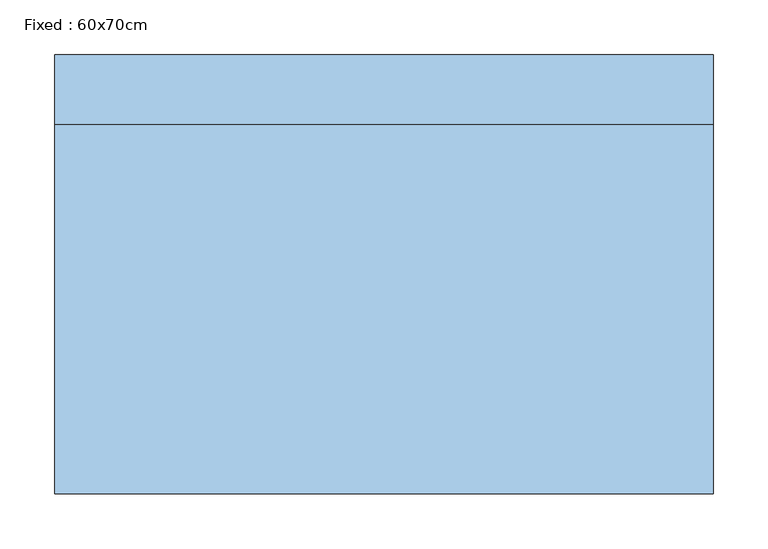
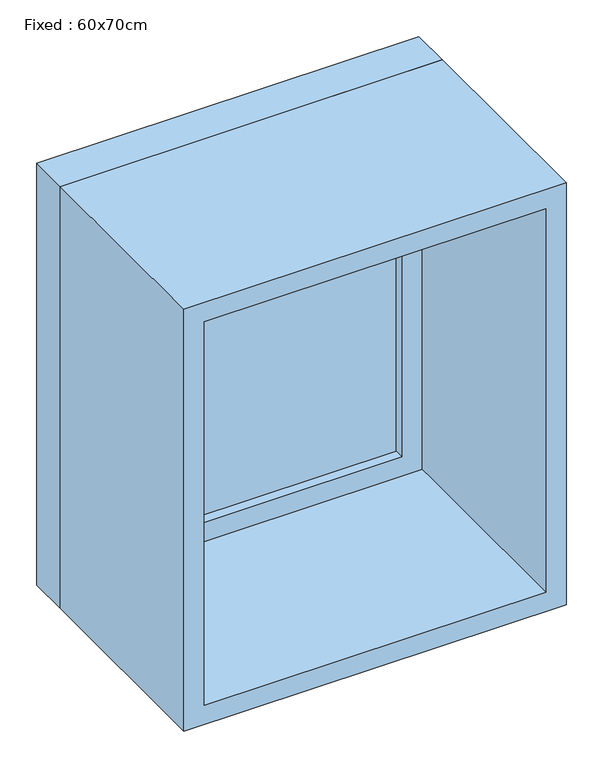
"""IFC4 building model written with IfcOpenShell, lengths in millimetres: window geometry, Fixed : 60x70cm."""

from ifc_helpers import new_model, si_unit, frame, origin, place, context, project, spatial, polyline, outline, extrude, source, transform, mapped, element, save


def fixed_60x70cm_4952e460(model_context):
    return source(origin(), model_context, "Body", "SweptSolid", [
        extrude(outline(polyline([(198.4, 152.375), (-274.6, 152.375), (-274.6, 165.075), (198.4, 165.075), (198.4, 152.375)])), frame((0.0, 0.0, 663.5), z_axis=(0.0, 0.0, 1.0), x_axis=(1.0, 0.0, 0.0)), (0.0, 0.0, 1.0), 573.0),
        extrude(outline(polyline([(1280.95, -319.05), (619.05, -319.05), (619.05, 242.85), (1280.95, 242.85), (1280.95, -319.05)]), holes=[polyline([(1236.5, -274.6), (1236.5, 198.4), (663.5, 198.4), (663.5, -274.6), (1236.5, -274.6)])]), frame((0.0, 136.5, 0.0), z_axis=(0.0, 1.0, 0.0), x_axis=(0.0, 0.0, 1.0)), (0.0, 0.0, 1.0), 44.45),
        extrude(outline(polyline([(1300.0, -338.1), (600.0, -338.1), (600.0, 261.9), (1300.0, 261.9), (1300.0, -338.1)]), holes=[polyline([(1268.25, -306.35), (1268.25, 230.15), (631.75, 230.15), (631.75, -306.35), (1268.25, -306.35)])]), frame((0.0, -200.0, 0.0), z_axis=(0.0, 1.0, 0.0), x_axis=(0.0, 0.0, 1.0)), (0.0, 0.0, 1.0), 336.5),
        extrude(outline(polyline([(1300.0, 261.9), (1300.0, -338.1), (600.0, -338.1), (600.0, 261.9), (1300.0, 261.9)]), holes=[polyline([(1280.95, 242.85), (619.05, 242.85), (619.05, -319.05), (1280.95, -319.05), (1280.95, 242.85)])]), frame((0.0, 136.5, 0.0), z_axis=(0.0, 1.0, 0.0), x_axis=(0.0, 0.0, 1.0)), (0.0, 0.0, 1.0), 63.5),
    ])


if __name__ == "__main__":
    model = new_model("IFC4")
    model_context = context("Model", 3, world=origin())
    ifc_project = project(units=[si_unit("LENGTHUNIT", "METRE", prefix="MILLI")], contexts=[model_context])
    site = spatial("IfcSite", under=ifc_project)
    building = spatial("IfcBuilding", under=site)
    placement = place(None, origin())
    fixed_60x70cm_shape = fixed_60x70cm_4952e460(model_context)
    element("IfcWindow", 1, ObjectType="Fixed : 60x70cm", at=placement, inside=building, context=model_context, shape_type="MappedRepresentation", body=[
        mapped(fixed_60x70cm_shape, transform((0.0, 0.0, 0.0), x_axis=(1.0, 0.0, 0.0), y_axis=(0.0, 1.0, 0.0), z_axis=(0.0, 0.0, 1.0))),
    ])
    save(model, "model.ifc")
